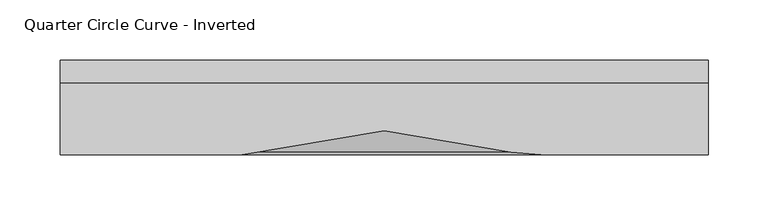
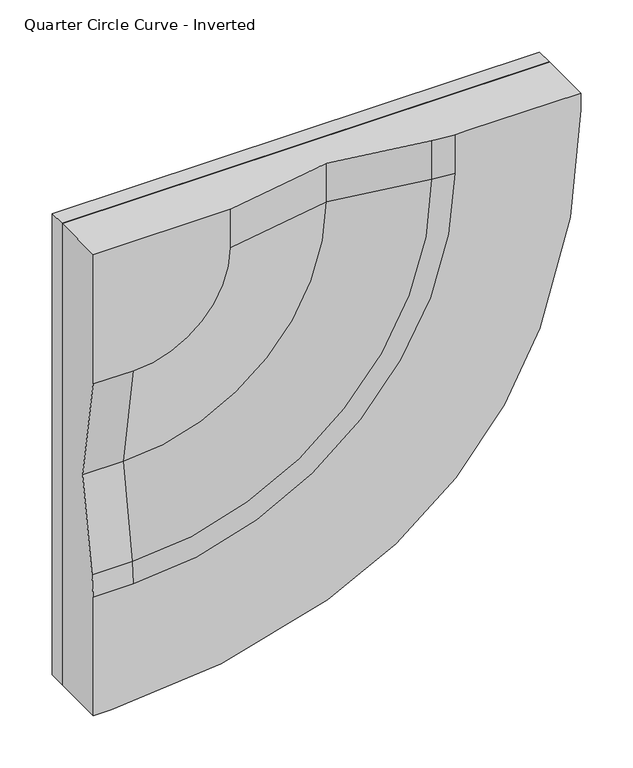
"""IFC4 building model written with IfcOpenShell, lengths in millimetres: furniture geometry, Quarter Circle Curve - Inverted."""

from ifc_helpers import new_model, si_unit, point, frame, frame_2d, origin, place, context, project, spatial, polyline, circle_curve, ellipse_curve, trimmed, segment, composite_curve, outline, extrude, source, transform, mapped, element, save
from ifc_brep_helpers import plane_surface, cylinder_surface, revolved_surface, advanced_brep


def quarter_circle_curve_inverted_38b49542(model_context):
    return source(origin(), model_context, "Body", "SolidModel", [
        extrude(outline(composite_curve([segment(polyline([(2040.0, 270.0), (2040.0, -270.0), (1500.0, -270.0), (1500.0, -250.2887948)]), True, "CONTINUOUS"), segment(trimmed(circle_curve(frame_2d((2159.9652032, -250.2887948)), 659.9652032), [point((1500.0, -250.2887948))], [point((1545.0644581, -10.5991139))], False, "CARTESIAN"), True, "CONTINUOUS"), segment(trimmed(circle_curve(frame_2d((1931.0616985, -161.0616985)), 414.2859628), [point((1545.0644581, -10.5991139))], [point((1780.5991139, 224.9355419))], False, "CARTESIAN"), True, "CONTINUOUS"), segment(trimmed(circle_curve(frame_2d((2020.2887948, -389.9652032)), 659.9652032), [point((1780.5991139, 224.9355419))], [point((2020.2887948, 270.0))], False, "CARTESIAN"), True, "CONTINUOUS"), segment(polyline([(2020.2887948, 270.0), (2040.0, 270.0)]), True, "CONTINUOUS")], self_intersect=False)), frame((0.0, 0.0, 0.0), z_axis=(0.0, 1.0, 0.0), x_axis=(0.0, 0.0, 1.0)), (0.0, 0.0, 1.0), 19.0),
        advanced_brep(
        [(-118.5203808, -60.0, 2040.0), (-270.0, -60.0, 2040.0), (-270.0, -60.0, 1888.5203808), (-225.0, -60.0, 1888.5203808), (-118.5203808, -60.0, 1995.0), (270.0, -60.0, 2040.0), (145.0, -60.0, 2040.0), (131.0875949, -60.0, 2040.0), (131.0875949, -60.0, 1995.0), (-225.0, -60.0, 1638.9124051), (-270.0, -60.0, 1638.9124051), (-270.0, -60.0, 1625.0), (-270.0, -60.0, 1500.0), (-250.2887948, -60.0, 1500.0), (-10.5991139, -60.0, 1545.0644581), (224.9355419, -60.0, 1780.5991139), (270.0, -60.0, 2020.2887948), (-270.0, 0.0, 1500.0), (-270.0, 0.0, 2040.0), (270.0, 0.0, 2040.0), (270.0, 0.0, 2020.2887948), (224.9355419, 0.0, 1780.5991139), (-10.5991139, 0.0, 1545.0644581), (-250.2887948, 0.0, 1500.0), (0.0, -40.0, 2040.0), (106.1283636, -57.90888, 2040.0), (-270.0, -57.90888, 1663.8716364), (-270.0, -40.0, 1770.0), (0.0, -40.0, 1995.0), (106.1283636, -57.90888, 1995.0), (-225.0, -40.0, 1770.0), (-225.0, -57.90888, 1663.8716364)],
        [
            (0, 1),
            (1, 2),
            (2, 3),
            (3, 4, circle_curve(frame((-225.0, -60.0, 1995.0), z_axis=(0.0, -1.0, 0.0), x_axis=(1.0, 0.0, 0.0)), 106.4796192)),
            (4, 0),
            (5, 6),
            (6, 7),
            (7, 8),
            (8, 9, circle_curve(frame((-225.0, -60.0, 1995.0), z_axis=(0.0, 1.0, 0.0), x_axis=(1.0, 0.0, 0.0)), 356.0875949)),
            (9, 10),
            (10, 11),
            (11, 12),
            (12, 13),
            (13, 14, circle_curve(frame((-250.2887948, -60.0, 2159.9652032), z_axis=(0.0, -1.0, 0.0), x_axis=(1.0, 0.0, 0.0)), 659.9652032)),
            (14, 15, circle_curve(frame((-161.0616985, -60.0, 1931.0616985), z_axis=(0.0, -1.0, 0.0), x_axis=(1.0, 0.0, 0.0)), 414.2859628)),
            (15, 16, circle_curve(frame((-389.9652032, -60.0, 2020.2887948), z_axis=(0.0, -1.0, 0.0), x_axis=(1.0, 0.0, 0.0)), 659.9652032)),
            (16, 5),
            (17, 18),
            (18, 19),
            (19, 20),
            (20, 21, circle_curve(frame((-389.9652032, 0.0, 2020.2887948), z_axis=(0.0, 1.0, 0.0), x_axis=(1.0, 0.0, 0.0)), 659.9652032)),
            (21, 22, circle_curve(frame((-161.0616985, 0.0, 1931.0616985), z_axis=(0.0, 1.0, 0.0), x_axis=(1.0, 0.0, 0.0)), 414.2859628)),
            (22, 23, circle_curve(frame((-250.2887948, 0.0, 2159.9652032), z_axis=(0.0, 1.0, 0.0), x_axis=(1.0, 0.0, 0.0)), 659.9652032)),
            (23, 17),
            (18, 1),
            (0, 24),
            (24, 25),
            (25, 7, circle_curve(frame((131.0875949, 90.0, 2040.0), z_axis=(0.0, 0.0, 1.0), x_axis=(0.0, -1.0, 0.0)), 150.0)),
            (5, 19),
            (17, 12),
            (10, 26, circle_curve(frame((-270.0, 90.0, 1638.9124051), z_axis=(-1.0, 0.0, 0.0), x_axis=(0.0, -1.0, 0.0)), 150.0)),
            (26, 27),
            (27, 2),
            (23, 13),
            (16, 20),
            (24, 28),
            (28, 29),
            (29, 25),
            (4, 28),
            (28, 30, circle_curve(frame((-225.0, -40.0, 1995.0), z_axis=(0.0, 1.0, 0.0), x_axis=(1.0, 0.0, 0.0)), 225.0)),
            (30, 31),
            (31, 29, circle_curve(frame((-225.0, -57.90888, 1995.0), z_axis=(0.0, -1.0, 0.0), x_axis=(1.0, 0.0, 0.0)), 331.1283636)),
            (3, 30),
            (30, 27),
            (26, 31),
            (29, 8, circle_curve(frame((131.0875949, 90.0, 1995.0), z_axis=(0.0, 0.0, 1.0), x_axis=(0.0, -1.0, 0.0)), 150.0)),
            (31, 9, circle_curve(frame((-225.0, 90.0, 1638.9124051), z_axis=(1.0, 0.0, 0.0), x_axis=(0.0, -1.0, 0.0)), 150.0)),
            (15, 21),
            (14, 22),
        ],
        [
            plane_surface(frame((-270.0, -60.0, 2040.0), z_axis=(0.0, -1.0, 0.0), x_axis=(-1.0, 0.0, 0.0))),
            plane_surface(frame((-270.0, 0.0, 2040.0), z_axis=(0.0, 1.0, 0.0), x_axis=(1.0, 0.0, 0.0))),
            plane_surface(frame((270.0, -60.0, 2040.0), z_axis=(0.0, 0.0, 1.0), x_axis=(0.0, 1.0, 0.0))),
            plane_surface(frame((-270.0, -60.0, 2040.0), z_axis=(-1.0, 0.0, 0.0), x_axis=(0.0, 1.0, 0.0))),
            plane_surface(frame((-270.0, -60.0, 1500.0), z_axis=(0.0, 0.0, -1.0), x_axis=(0.0, 1.0, 0.0))),
            plane_surface(frame((270.0, -60.0, 1500.0), z_axis=(1.0, 0.0, 0.0), x_axis=(0.0, 1.0, 0.0))),
            plane_surface(frame((106.1283636, -57.90888, 2040.0), z_axis=(-0.16639487545081413, -0.9860591997561343, 0.0), x_axis=(0.0, 0.0, -1.0))),
            plane_surface(frame((0.0, -40.0, 2040.0), z_axis=(0.1663948754507782, -0.9860591997561404, 0.0), x_axis=(0.0, 0.0, -1.0))),
            revolved_surface(polyline([(0.0, -40.0, 1995.0), (106.1283636, -57.90888, 1995.0)]), (-225.0, -60.0, 1995.0), (0.0, 1.0, 0.0)),
            revolved_surface(polyline([(-120.0, -60.2496818, 1995.0), (0.0, -40.0, 1995.0)]), (-225.0, -60.0, 1995.0), (0.0, 1.0, 0.0)),
            plane_surface(frame((-225.0, -57.90888, 1663.8716364), z_axis=(0.0, -0.9860591997561339, 0.16639487545081733), x_axis=(-1.0, 0.0, 0.0))),
            plane_surface(frame((-225.0, -40.0, 1770.0), z_axis=(0.0, -0.986059199756141, -0.16639487545077503), x_axis=(-1.0, 0.0, 0.0))),
            cylinder_surface(frame((131.0875949, 90.0, 2040.0), z_axis=(0.0, 0.0, -1.0), x_axis=(0.0, -1.0, 0.0)), 150.0),
            revolved_surface(trimmed(ellipse_curve(frame((131.0875949, 90.0, 1995.0), z_axis=(0.0, 0.0, 1.0), x_axis=(0.0, -1.0, 0.0)), 150.0, 150.0), [point((106.1283636, -57.90888, 1995.0))], [point((131.0875949, -60.0, 1995.0))], True, "CARTESIAN"), (-225.0, -60.0, 1995.0), (0.0, 1.0, 0.0)),
            cylinder_surface(frame((-225.0, 90.0, 1638.9124051), z_axis=(-1.0, 0.0, 0.0), x_axis=(0.0, -1.0, 0.0)), 150.0),
            cylinder_surface(frame((-389.9652032, 20.0, 2020.2887948), z_axis=(0.0, 1.0, 0.0), x_axis=(1.0, 0.0, 0.0)), 659.9652032),
            cylinder_surface(frame((-161.0616985, 20.0, 1931.0616985), z_axis=(0.0, 1.0, 0.0), x_axis=(1.0, 0.0, 0.0)), 414.2859628),
            cylinder_surface(frame((-250.2887948, 20.0, 2159.9652032), z_axis=(0.0, 1.0, 0.0), x_axis=(1.0, 0.0, 0.0)), 659.9652032),
        ],
        [
            (0, [[1, 2, 3, 4, 5]]),
            (0, [[6, 7, 8, 9, 10, 11, 12, 13, 14, 15, 16, 17]]),
            (1, [[18, 19, 20, 21, 22, 23, 24]]),
            (2, [[-19, 25, -1, 26, 27, 28, -7, -6, 29]]),
            (3, [[-18, 30, -12, -11, 31, 32, 33, -2, -25]]),
            (4, [[-30, -24, 34, -13]]),
            (5, [[-29, -17, 35, -20]]),
            (6, [[36, 37, 38, -27]]),
            (7, [[-36, -26, -5, 39]]),
            (8, [[-37, 40, 41, 42]]),
            (9, [[-40, -39, -4, 43]]),
            (10, [[-41, 44, -32, 45]]),
            (11, [[-44, -43, -3, -33]]),
            (12, [[-38, 46, -8, -28]]),
            (13, [[-42, 47, -9, -46]]),
            (14, [[-45, -31, -10, -47]]),
            (15, [[48, -21, -35, -16]]),
            (16, [[-48, -15, 49, -22]]),
            (17, [[-49, -14, -34, -23]]),
        ],
    ),
    ])


if __name__ == "__main__":
    model = new_model("IFC4")
    model_context = context("Model", 3, world=origin())
    ifc_project = project(units=[si_unit("LENGTHUNIT", "METRE", prefix="MILLI")], contexts=[model_context])
    site = spatial("IfcSite", under=ifc_project)
    building = spatial("IfcBuilding", under=site)
    placement = place(None, origin())
    quarter_circle_curve_inverted_shape = quarter_circle_curve_inverted_38b49542(model_context)
    element("IfcFurniture", 1, ObjectType="Quarter Circle Curve - Inverted", at=placement, inside=building, context=model_context, shape_type="MappedRepresentation", body=[
        mapped(quarter_circle_curve_inverted_shape, transform((0.0, 0.0, 0.0), x_axis=(1.0, 0.0, 0.0), y_axis=(0.0, 1.0, 0.0), z_axis=(0.0, 0.0, 1.0))),
    ])
    save(model, "model.ifc")
